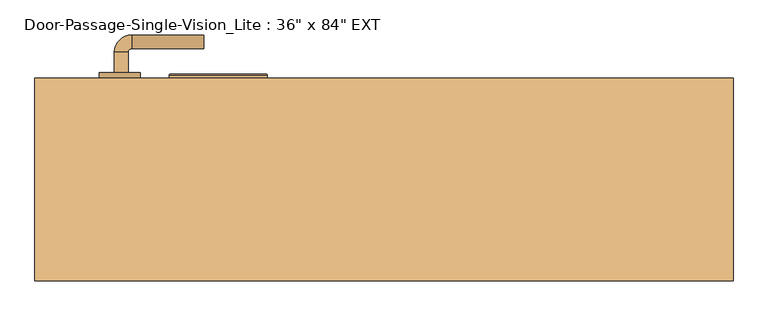
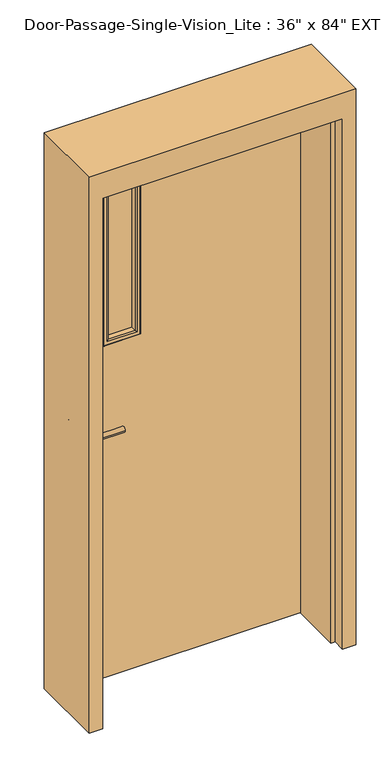
"""IFC4 building model written with IfcOpenShell, lengths in millimetres: door geometry."""

from ifc_helpers import new_model, si_unit, point, frame, frame_2d, origin, place, context, project, spatial, polyline, circle_curve, ellipse_curve, trimmed, segment, composite_curve, outline, extrude, faceted_brep, source, transform, mapped, element, save
from ifc_brep_helpers import plane_surface, cylinder_surface, revolved_surface, advanced_brep


def door_6aa45957(model_context):
    return source(origin(), model_context, "Body", "SolidModel", [
        advanced_brep(
        [(-392.190625, 96.775, 1016.0), (-372.190625, 96.775, 1016.0), (-372.190625, 66.775, 1016.0), (-392.190625, 66.775, 1016.0), (-367.190625, 61.775, 1016.0), (-367.190625, 41.775, 1016.0), (-262.190625, 41.775, 1016.0), (-262.190625, 61.775, 1016.0)],
        [
            (0, 1, circle_curve(frame((-382.190625, 96.775, 1016.0), z_axis=(0.0, 1.0, 0.0), x_axis=(1.0, 0.0, 0.0)), 10.0)),
            (1, 0, circle_curve(frame((-382.190625, 96.775, 1016.0), z_axis=(0.0, 1.0, 0.0), x_axis=(1.0, 0.0, 0.0)), 10.0)),
            (1, 2),
            (2, 3, circle_curve(frame((-382.190625, 66.775, 1016.0), z_axis=(0.0, 1.0, 0.0), x_axis=(1.0, 0.0, 0.0)), 10.0)),
            (3, 0),
            (3, 2, circle_curve(frame((-382.190625, 66.775, 1016.0), z_axis=(0.0, 1.0, 0.0), x_axis=(1.0, 0.0, 0.0)), 10.0)),
            (4, 5, circle_curve(frame((-367.190625, 51.775, 1016.0), z_axis=(-1.0, 0.0, 0.0), x_axis=(0.0, 1.0, 0.0)), 10.0)),
            (5, 3, circle_curve(frame((-367.190625, 66.775, 1016.0), z_axis=(0.0, 0.0, -1.0), x_axis=(-1.0, 0.0, 0.0)), 25.0)),
            (2, 4, circle_curve(frame((-367.190625, 66.775, 1016.0), z_axis=(0.0, 0.0, 1.0), x_axis=(-1.0, 0.0, 0.0)), 5.0)),
            (5, 4, circle_curve(frame((-367.190625, 51.775, 1016.0), z_axis=(-1.0, 0.0, 0.0), x_axis=(0.0, 1.0, 0.0)), 10.0)),
            (6, 7, circle_curve(frame((-262.190625, 51.775, 1016.0), z_axis=(1.0, 0.0, 0.0), x_axis=(0.0, 1.0, 0.0)), 10.0)),
            (7, 6, circle_curve(frame((-262.190625, 51.775, 1016.0), z_axis=(1.0, 0.0, 0.0), x_axis=(0.0, 1.0, 0.0)), 10.0)),
            (4, 7),
            (6, 5),
        ],
        [
            plane_surface(frame((-382.190625, 96.775, 1016.0), z_axis=(0.0, 1.0, 0.0), x_axis=(0.0, 0.0, 1.0))),
            cylinder_surface(frame((-382.190625, 96.775, 1016.0), z_axis=(0.0, 1.0, 0.0), x_axis=(1.0, 0.0, 0.0)), 10.0),
            revolved_surface(trimmed(ellipse_curve(frame((-382.190625, 66.775, 1016.0), z_axis=(0.0, -1.0, 0.0), x_axis=(1.0, 0.0, 0.0)), 10.0, 10.0), [point((-392.190625, 66.775, 1016.0))], [point((-372.190625, 66.775, 1016.0))], True, "CARTESIAN"), (-367.190625, 66.775, 1016.0), (0.0, 0.0, -1.0)),
            revolved_surface(trimmed(ellipse_curve(frame((-382.190625, 66.775, 1016.0), z_axis=(0.0, -1.0, 0.0), x_axis=(1.0, 0.0, 0.0)), 10.0, 10.0), [point((-372.190625, 66.775, 1016.0))], [point((-392.190625, 66.775, 1016.0))], True, "CARTESIAN"), (-367.190625, 66.775, 1016.0), (0.0, 0.0, -1.0)),
            plane_surface(frame((-262.190625, 51.775, 1016.0), z_axis=(1.0, 0.0, 0.0), x_axis=(0.0, 0.0, 1.0))),
            cylinder_surface(frame((-367.190625, 51.775, 1016.0), z_axis=(-1.0, 0.0, 0.0), x_axis=(0.0, 1.0, 0.0)), 10.0),
        ],
        [
            (0, [[1, 2]]),
            (1, [[3, 4, 5, -2]]),
            (1, [[-5, 6, -3, -1]]),
            (2, [[7, 8, -4, 9]]),
            (3, [[10, -9, -6, -8]]),
            (4, [[11, 12]]),
            (5, [[13, -11, 14, -7]]),
            (5, [[-14, -12, -13, -10]]),
        ],
    ),
        extrude(outline(composite_curve([segment(trimmed(circle_curve(frame_2d((1016.0, -384.690625)), 30.0), [point((1016.0, -414.690625))], [point((1016.0, -354.690625))], False, "CARTESIAN"), True, "CONTINUOUS"), segment(trimmed(circle_curve(frame_2d((1016.0, -384.690625)), 30.0), [point((1016.0, -354.690625))], [point((1016.0, -414.690625))], False, "CARTESIAN"), True, "CONTINUOUS")], self_intersect=False)), frame((0.0, 96.775, 0.0), z_axis=(0.0, 1.0, 0.0), x_axis=(0.0, 0.0, 1.0)), (0.0, 0.0, 1.0), 8.0),
        advanced_brep(
        [(-392.190625, 157.225, 1016.0), (-372.190625, 157.225, 1016.0), (-392.190625, 187.225, 1016.0), (-372.190625, 187.225, 1016.0), (-367.190625, 192.225, 1016.0), (-367.190625, 212.225, 1016.0), (-262.190625, 212.225, 1016.0), (-262.190625, 192.225, 1016.0)],
        [
            (0, 1, circle_curve(frame((-382.190625, 157.225, 1016.0), z_axis=(0.0, -1.0, 0.0), x_axis=(1.0, 0.0, 0.0)), 10.0)),
            (1, 0, circle_curve(frame((-382.190625, 157.225, 1016.0), z_axis=(0.0, -1.0, 0.0), x_axis=(1.0, 0.0, 0.0)), 10.0)),
            (0, 2),
            (2, 3, circle_curve(frame((-382.190625, 187.225, 1016.0), z_axis=(0.0, -1.0, 0.0), x_axis=(1.0, 0.0, 0.0)), 10.0)),
            (3, 1),
            (3, 2, circle_curve(frame((-382.190625, 187.225, 1016.0), z_axis=(0.0, -1.0, 0.0), x_axis=(1.0, 0.0, 0.0)), 10.0)),
            (4, 3, circle_curve(frame((-367.190625, 187.225, 1016.0), z_axis=(0.0, 0.0, 1.0), x_axis=(-1.0, 0.0, 0.0)), 5.0)),
            (2, 5, circle_curve(frame((-367.190625, 187.225, 1016.0), z_axis=(0.0, 0.0, -1.0), x_axis=(-1.0, 0.0, 0.0)), 25.0)),
            (5, 4, circle_curve(frame((-367.190625, 202.225, 1016.0), z_axis=(-1.0, 0.0, 0.0), x_axis=(0.0, -1.0, 0.0)), 10.0)),
            (4, 5, circle_curve(frame((-367.190625, 202.225, 1016.0), z_axis=(-1.0, 0.0, 0.0), x_axis=(0.0, -1.0, 0.0)), 10.0)),
            (6, 7, circle_curve(frame((-262.190625, 202.225, 1016.0), z_axis=(1.0, 0.0, 0.0), x_axis=(0.0, -1.0, 0.0)), 10.0)),
            (7, 6, circle_curve(frame((-262.190625, 202.225, 1016.0), z_axis=(1.0, 0.0, 0.0), x_axis=(0.0, -1.0, 0.0)), 10.0)),
            (5, 6),
            (7, 4),
        ],
        [
            plane_surface(frame((-382.190625, 157.225, 1016.0), z_axis=(0.0, -1.0, 0.0), x_axis=(0.0, 0.0, 1.0))),
            cylinder_surface(frame((-382.190625, 157.225, 1016.0), z_axis=(0.0, -1.0, 0.0), x_axis=(1.0, 0.0, 0.0)), 10.0),
            revolved_surface(trimmed(ellipse_curve(frame((-382.190625, 187.225, 1016.0), z_axis=(0.0, -1.0, 0.0), x_axis=(1.0, 0.0, 0.0)), 10.0, 10.0), [point((-392.190625, 187.225, 1016.0))], [point((-372.190625, 187.225, 1016.0))], True, "CARTESIAN"), (-367.190625, 187.225, 1016.0), (0.0, 0.0, -1.0)),
            revolved_surface(trimmed(ellipse_curve(frame((-382.190625, 187.225, 1016.0), z_axis=(0.0, -1.0, 0.0), x_axis=(1.0, 0.0, 0.0)), 10.0, 10.0), [point((-372.190625, 187.225, 1016.0))], [point((-392.190625, 187.225, 1016.0))], True, "CARTESIAN"), (-367.190625, 187.225, 1016.0), (0.0, 0.0, -1.0)),
            plane_surface(frame((-262.190625, 202.225, 1016.0), z_axis=(1.0, 0.0, 0.0), x_axis=(0.0, 0.0, 1.0))),
            cylinder_surface(frame((-367.190625, 202.225, 1016.0), z_axis=(-1.0, 0.0, 0.0), x_axis=(0.0, -1.0, 0.0)), 10.0),
        ],
        [
            (0, [[1, 2]]),
            (1, [[-1, 3, 4, 5]]),
            (1, [[-2, -5, 6, -3]]),
            (2, [[7, -4, 8, 9]]),
            (3, [[-8, -6, -7, 10]]),
            (4, [[11, 12]]),
            (5, [[-9, 13, -12, 14]]),
            (5, [[-10, -14, -11, -13]]),
        ],
    ),
        extrude(outline(composite_curve([segment(trimmed(circle_curve(frame_2d((1016.0, -384.690625)), 30.0), [point((1016.0, -414.690625))], [point((1016.0, -354.690625))], False, "CARTESIAN"), True, "CONTINUOUS"), segment(trimmed(circle_curve(frame_2d((1016.0, -384.690625)), 30.0), [point((1016.0, -354.690625))], [point((1016.0, -414.690625))], False, "CARTESIAN"), True, "CONTINUOUS")], self_intersect=False)), frame((0.0, 149.225, 0.0), z_axis=(0.0, 1.0, 0.0), x_axis=(0.0, 0.0, 1.0)), (0.0, 0.0, 1.0), 8.0),
        faceted_brep([(457.2, 100.0125, 0.0), (457.2, 149.225, 0.0), (508.0, 149.225, 0.0), (508.0, -146.05, 0.0), (457.2, -146.05, 0.0), (457.2, -96.8375, 0.0), (441.325, -96.8375, 0.0), (441.325, 100.0125, 0.0), (457.2, 100.0125, 2133.6), (457.2, 149.225, 2133.6), (-457.2, 149.225, 2133.6), (-457.2, 149.225, 0.0), (-508.0, 149.225, 0.0), (-508.0, 149.225, 2235.2), (508.0, 149.225, 2235.2), (508.0, -146.05, 2235.2), (-508.0, -146.05, 2235.2), (-508.0, -146.05, 0.0), (-457.2, -146.05, 0.0), (-457.2, -146.05, 2133.6), (457.2, -146.05, 2133.6), (457.2, -96.8375, 2133.6), (-457.2, -96.8375, 2133.6), (-457.2, -96.8375, 0.0), (-441.325, -96.8375, 0.0), (-441.325, -96.8375, 2117.725), (441.325, -96.8375, 2117.725), (441.325, 100.0125, 2117.725), (-441.325, 100.0125, 2117.725), (-441.325, 100.0125, 0.0), (-457.2, 100.0125, 0.0), (-457.2, 100.0125, 2133.6)], [[[0, 1, 2, 3, 4, 5, 6, 7]], [[1, 0, 8, 9]], [[2, 1, 9, 10, 11, 12, 13, 14]], [[3, 2, 14, 15]], [[4, 3, 15, 16, 17, 18, 19, 20]], [[5, 4, 20, 21]], [[6, 5, 21, 22, 23, 24, 25, 26]], [[7, 6, 26, 27]], [[0, 7, 27, 28, 29, 30, 31, 8]], [[9, 8, 31, 10]], [[20, 19, 22, 21]], [[26, 25, 28, 27]], [[12, 11, 30, 29, 24, 23, 18, 17]], [[11, 10, 31, 30]], [[13, 12, 17, 16]], [[19, 18, 23, 22]], [[25, 24, 29, 28]], [[15, 14, 13, 16]]]),
        extrude(outline(polyline([(2133.6, -457.2), (0.0, -457.2), (0.0, 457.2), (2133.6, 457.2), (2133.6, -457.2)]), holes=[polyline([(1981.2, -304.8), (1981.2, -177.8), (1346.2, -177.8), (1346.2, -304.8), (1981.2, -304.8)])]), frame((0.0, 104.775, 0.0), z_axis=(0.0, 1.0, 0.0), x_axis=(0.0, 0.0, 1.0)), (0.0, 0.0, 1.0), 44.45),
        extrude(outline(polyline([(-177.8, 123.825), (-304.8, 123.825), (-304.8, 130.175), (-177.8, 130.175), (-177.8, 123.825)])), frame((0.0, 0.0, 1346.2), z_axis=(0.0, 0.0, 1.0), x_axis=(1.0, 0.0, 0.0)), (0.0, 0.0, 1.0), 635.0),
        advanced_brep(
        [(-304.8, 123.825, 1346.2), (-304.8, 104.775, 1346.2), (-304.8, 104.775, 1981.2), (-304.8, 123.825, 1981.2), (-292.8, 103.775, 1358.2), (-292.8, 123.825, 1358.2), (-292.8, 123.825, 1969.2), (-292.8, 103.775, 1969.2), (-297.8, 98.775, 1353.2), (-297.8, 98.775, 1974.2), (-312.8, 100.775, 1338.2), (-310.8, 98.775, 1340.2), (-310.8, 98.775, 1987.2), (-312.8, 100.775, 1989.2), (-312.8, 104.775, 1338.2), (-312.8, 104.775, 1989.2), (-177.8, 104.775, 1981.2), (-177.8, 123.825, 1981.2), (-189.8, 123.825, 1969.2), (-189.8, 103.775, 1969.2), (-184.8, 98.775, 1974.2), (-171.8, 98.775, 1987.2), (-169.8, 100.775, 1989.2), (-169.8, 104.775, 1989.2), (-177.8, 104.775, 1346.2), (-177.8, 123.825, 1346.2), (-189.8, 123.825, 1358.2), (-189.8, 103.775, 1358.2), (-184.8, 98.775, 1353.2), (-171.8, 98.775, 1340.2), (-169.8, 100.775, 1338.2), (-169.8, 104.775, 1338.2)],
        [
            (0, 1),
            (1, 2),
            (2, 3),
            (3, 0),
            (4, 5),
            (5, 6),
            (6, 7),
            (7, 4),
            (8, 4, ellipse_curve(frame((-297.8, 103.775, 1353.2), z_axis=(-0.7071067811865475, 0.0, 0.7071067811865475), x_axis=(-0.7071067811865474, 0.0, -0.7071067811865476)), 7.0710678, 5.0)),
            (7, 9, ellipse_curve(frame((-297.8, 103.775, 1974.2), z_axis=(-0.7071067811865475, 0.0, -0.7071067811865475), x_axis=(0.7071067811865474, 0.0, -0.7071067811865476)), 7.0710678, 5.0)),
            (9, 8),
            (10, 11, ellipse_curve(frame((-310.8, 100.775, 1340.2), z_axis=(-0.7071067811865475, 0.0, 0.7071067811865475), x_axis=(-0.7071067811865474, 0.0, -0.7071067811865476)), 2.8284271, 2.0)),
            (11, 12),
            (12, 13, ellipse_curve(frame((-310.8, 100.775, 1987.2), z_axis=(-0.7071067811865475, 0.0, -0.7071067811865475), x_axis=(0.7071067811865474, 0.0, -0.7071067811865476)), 2.8284271, 2.0)),
            (13, 10),
            (14, 10),
            (13, 15),
            (15, 14),
            (2, 16),
            (16, 17),
            (17, 3),
            (6, 18),
            (18, 19),
            (19, 7),
            (19, 20, ellipse_curve(frame((-184.8, 103.775, 1974.2), z_axis=(-0.7071067811865475, 0.0, 0.7071067811865475), x_axis=(-0.7071067811865476, 0.0, -0.7071067811865474)), 7.0710678, 5.0)),
            (20, 9),
            (12, 21),
            (21, 22, ellipse_curve(frame((-171.8, 100.775, 1987.2), z_axis=(-0.7071067811865475, 0.0, 0.7071067811865475), x_axis=(-0.7071067811865476, 0.0, -0.7071067811865474)), 2.8284271, 2.0)),
            (22, 13),
            (22, 23),
            (23, 15),
            (16, 24),
            (24, 25),
            (25, 17),
            (18, 26),
            (26, 27),
            (27, 19),
            (27, 28, ellipse_curve(frame((-184.8, 103.775, 1353.2), z_axis=(0.7071067811865475, 0.0, 0.7071067811865475), x_axis=(-0.7071067811865474, 0.0, 0.7071067811865476)), 7.0710678, 5.0)),
            (28, 20),
            (21, 29),
            (29, 30, ellipse_curve(frame((-171.8, 100.775, 1340.2), z_axis=(0.7071067811865475, 0.0, 0.7071067811865475), x_axis=(-0.7071067811865474, 0.0, 0.7071067811865476)), 2.8284271, 2.0)),
            (30, 22),
            (30, 31),
            (31, 23),
            (31, 14),
            (1, 24),
            (0, 25),
            (5, 26),
            (4, 27),
            (8, 28),
            (11, 29),
            (10, 30),
        ],
        [
            plane_surface(frame((-304.8, 104.775, 1346.2), z_axis=(-1.0, 0.0, 0.0), x_axis=(0.0, 0.0, 1.0))),
            plane_surface(frame((-292.8, 123.825, 1358.2), z_axis=(1.0, 0.0, 0.0), x_axis=(0.0, 0.0, 1.0))),
            cylinder_surface(frame((-297.8, 103.775, 1346.2), z_axis=(0.0, 0.0, -1.0), x_axis=(-1.0, 0.0, 0.0)), 5.0),
            cylinder_surface(frame((-310.8, 100.775, 1346.2), z_axis=(0.0, 0.0, -1.0), x_axis=(-1.0, 0.0, 0.0)), 2.0),
            plane_surface(frame((-312.8, 100.775, 1338.2), z_axis=(-1.0, 0.0, 0.0), x_axis=(0.0, 0.0, 1.0))),
            plane_surface(frame((-304.8, 104.775, 1981.2), z_axis=(0.0, 0.0, 1.0), x_axis=(1.0, 0.0, 0.0))),
            plane_surface(frame((-292.8, 123.825, 1969.2), z_axis=(0.0, 0.0, -1.0), x_axis=(1.0, 0.0, 0.0))),
            cylinder_surface(frame((-304.8, 103.775, 1974.2), z_axis=(-1.0, 0.0, 0.0), x_axis=(0.0, 0.0, 1.0)), 5.0),
            cylinder_surface(frame((-304.8, 100.775, 1987.2), z_axis=(-1.0, 0.0, 0.0), x_axis=(0.0, 0.0, 1.0)), 2.0),
            plane_surface(frame((-312.8, 100.775, 1989.2), z_axis=(0.0, 0.0, 1.0), x_axis=(1.0, 0.0, 0.0))),
            plane_surface(frame((-177.8, 104.775, 1981.2), z_axis=(1.0, 0.0, 0.0), x_axis=(0.0, 0.0, -1.0))),
            plane_surface(frame((-189.8, 123.825, 1969.2), z_axis=(-1.0, 0.0, 0.0), x_axis=(0.0, 0.0, -1.0))),
            cylinder_surface(frame((-184.8, 103.775, 1981.2), z_axis=(0.0, 0.0, 1.0), x_axis=(1.0, 0.0, 0.0)), 5.0),
            cylinder_surface(frame((-171.8, 100.775, 1981.2), z_axis=(0.0, 0.0, 1.0), x_axis=(1.0, 0.0, 0.0)), 2.0),
            plane_surface(frame((-169.8, 100.775, 1989.2), z_axis=(1.0, 0.0, 0.0), x_axis=(0.0, 0.0, -1.0))),
            plane_surface(frame((-169.8, 104.775, 1338.2), z_axis=(0.0, 1.0, 0.0), x_axis=(-1.0, 0.0, 0.0))),
            plane_surface(frame((-177.8, 104.775, 1346.2), z_axis=(0.0, 0.0, -1.0), x_axis=(-1.0, 0.0, 0.0))),
            plane_surface(frame((-177.8, 123.825, 1346.2), z_axis=(0.0, 1.0, 0.0), x_axis=(-1.0, 0.0, 0.0))),
            plane_surface(frame((-189.8, 123.825, 1358.2), z_axis=(0.0, 0.0, 1.0), x_axis=(-1.0, 0.0, 0.0))),
            cylinder_surface(frame((-177.8, 103.775, 1353.2), z_axis=(1.0, 0.0, 0.0), x_axis=(0.0, 0.0, -1.0)), 5.0),
            plane_surface(frame((-184.8, 98.775, 1353.2), z_axis=(0.0, -1.0, 0.0), x_axis=(-1.0, 0.0, 0.0))),
            cylinder_surface(frame((-177.8, 100.775, 1340.2), z_axis=(1.0, 0.0, 0.0), x_axis=(0.0, 0.0, -1.0)), 2.0),
            plane_surface(frame((-169.8, 100.775, 1338.2), z_axis=(0.0, 0.0, -1.0), x_axis=(-1.0, 0.0, 0.0))),
        ],
        [
            (0, [[1, 2, 3, 4]]),
            (1, [[5, 6, 7, 8]]),
            (2, [[9, -8, 10, 11]]),
            (3, [[12, 13, 14, 15]]),
            (4, [[16, -15, 17, 18]]),
            (5, [[-3, 19, 20, 21]]),
            (6, [[-7, 22, 23, 24]]),
            (7, [[-10, -24, 25, 26]]),
            (8, [[-14, 27, 28, 29]]),
            (9, [[-17, -29, 30, 31]]),
            (10, [[-20, 32, 33, 34]]),
            (11, [[-23, 35, 36, 37]]),
            (12, [[-25, -37, 38, 39]]),
            (13, [[-28, 40, 41, 42]]),
            (14, [[-30, -42, 43, 44]]),
            (15, [[-31, -44, 45, -18], [46, -32, -19, -2]]),
            (16, [[-33, -46, -1, 47]]),
            (17, [[-21, -34, -47, -4], [48, -35, -22, -6]]),
            (18, [[-36, -48, -5, 49]]),
            (19, [[-38, -49, -9, 50]]),
            (20, [[51, -40, -27, -13], [-26, -39, -50, -11]]),
            (21, [[-41, -51, -12, 52]]),
            (22, [[-43, -52, -16, -45]]),
        ],
    ),
        advanced_brep(
        [(-304.8, 130.175, 1981.2), (-304.8, 149.225, 1981.2), (-304.8, 149.225, 1346.2), (-304.8, 130.175, 1346.2), (-292.8, 150.225, 1969.2), (-292.8, 130.175, 1969.2), (-292.8, 130.175, 1358.2), (-292.8, 150.225, 1358.2), (-297.8, 155.225, 1974.2), (-297.8, 155.225, 1353.2), (-312.8, 153.225, 1989.2), (-310.8, 155.225, 1987.2), (-310.8, 155.225, 1340.2), (-312.8, 153.225, 1338.2), (-312.8, 149.225, 1989.2), (-312.8, 149.225, 1338.2), (-177.8, 149.225, 1346.2), (-177.8, 130.175, 1346.2), (-189.8, 130.175, 1358.2), (-189.8, 150.225, 1358.2), (-184.8, 155.225, 1353.2), (-171.8, 155.225, 1340.2), (-169.8, 153.225, 1338.2), (-169.8, 149.225, 1338.2), (-177.8, 149.225, 1981.2), (-177.8, 130.175, 1981.2), (-189.8, 130.175, 1969.2), (-189.8, 150.225, 1969.2), (-184.8, 155.225, 1974.2), (-171.8, 155.225, 1987.2), (-169.8, 153.225, 1989.2), (-169.8, 149.225, 1989.2)],
        [
            (0, 1),
            (1, 2),
            (2, 3),
            (3, 0),
            (4, 5),
            (5, 6),
            (6, 7),
            (7, 4),
            (8, 4, ellipse_curve(frame((-297.8, 150.225, 1974.2), z_axis=(-0.7071067811865475, 0.0, -0.7071067811865475), x_axis=(-0.7071067811865474, 0.0, 0.7071067811865476)), 7.0710678, 5.0)),
            (7, 9, ellipse_curve(frame((-297.8, 150.225, 1353.2), z_axis=(-0.7071067811865475, 0.0, 0.7071067811865475), x_axis=(0.7071067811865474, 0.0, 0.7071067811865476)), 7.0710678, 5.0)),
            (9, 8),
            (10, 11, ellipse_curve(frame((-310.8, 153.225, 1987.2), z_axis=(-0.7071067811865475, 0.0, -0.7071067811865475), x_axis=(-0.7071067811865474, 0.0, 0.7071067811865476)), 2.8284271, 2.0)),
            (11, 12),
            (12, 13, ellipse_curve(frame((-310.8, 153.225, 1340.2), z_axis=(-0.7071067811865475, 0.0, 0.7071067811865475), x_axis=(0.7071067811865474, 0.0, 0.7071067811865476)), 2.8284271, 2.0)),
            (13, 10),
            (14, 10),
            (13, 15),
            (15, 14),
            (2, 16),
            (16, 17),
            (17, 3),
            (6, 18),
            (18, 19),
            (19, 7),
            (19, 20, ellipse_curve(frame((-184.8, 150.225, 1353.2), z_axis=(-0.7071067811865475, 0.0, -0.7071067811865475), x_axis=(-0.7071067811865476, 0.0, 0.7071067811865474)), 7.0710678, 5.0)),
            (20, 9),
            (12, 21),
            (21, 22, ellipse_curve(frame((-171.8, 153.225, 1340.2), z_axis=(-0.7071067811865475, 0.0, -0.7071067811865475), x_axis=(-0.7071067811865476, 0.0, 0.7071067811865474)), 2.8284271, 2.0)),
            (22, 13),
            (22, 23),
            (23, 15),
            (16, 24),
            (24, 25),
            (25, 17),
            (18, 26),
            (26, 27),
            (27, 19),
            (27, 28, ellipse_curve(frame((-184.8, 150.225, 1974.2), z_axis=(0.7071067811865475, 0.0, -0.7071067811865475), x_axis=(-0.7071067811865474, 0.0, -0.7071067811865476)), 7.0710678, 5.0)),
            (28, 20),
            (21, 29),
            (29, 30, ellipse_curve(frame((-171.8, 153.225, 1987.2), z_axis=(0.7071067811865475, 0.0, -0.7071067811865475), x_axis=(-0.7071067811865474, 0.0, -0.7071067811865476)), 2.8284271, 2.0)),
            (30, 22),
            (30, 31),
            (31, 23),
            (31, 14),
            (1, 24),
            (0, 25),
            (5, 26),
            (4, 27),
            (8, 28),
            (11, 29),
            (10, 30),
        ],
        [
            plane_surface(frame((-304.8, 149.225, 1981.2), z_axis=(-1.0, 0.0, 0.0), x_axis=(0.0, 0.0, -1.0))),
            plane_surface(frame((-292.8, 130.175, 1969.2), z_axis=(1.0, 0.0, 0.0), x_axis=(0.0, 0.0, -1.0))),
            cylinder_surface(frame((-297.8, 150.225, 1981.2), z_axis=(0.0, 0.0, 1.0), x_axis=(-1.0, 0.0, 0.0)), 5.0),
            cylinder_surface(frame((-310.8, 153.225, 1981.2), z_axis=(0.0, 0.0, 1.0), x_axis=(-1.0, 0.0, 0.0)), 2.0),
            plane_surface(frame((-312.8, 153.225, 1989.2), z_axis=(-1.0, 0.0, 0.0), x_axis=(0.0, 0.0, -1.0))),
            plane_surface(frame((-304.8, 149.225, 1346.2), z_axis=(0.0, 0.0, -1.0), x_axis=(1.0, 0.0, 0.0))),
            plane_surface(frame((-292.8, 130.175, 1358.2), z_axis=(0.0, 0.0, 1.0), x_axis=(1.0, 0.0, 0.0))),
            cylinder_surface(frame((-304.8, 150.225, 1353.2), z_axis=(-1.0, 0.0, 0.0), x_axis=(0.0, 0.0, -1.0)), 5.0),
            cylinder_surface(frame((-304.8, 153.225, 1340.2), z_axis=(-1.0, 0.0, 0.0), x_axis=(0.0, 0.0, -1.0)), 2.0),
            plane_surface(frame((-312.8, 153.225, 1338.2), z_axis=(0.0, 0.0, -1.0), x_axis=(1.0, 0.0, 0.0))),
            plane_surface(frame((-177.8, 149.225, 1346.2), z_axis=(1.0, 0.0, 0.0), x_axis=(0.0, 0.0, 1.0))),
            plane_surface(frame((-189.8, 130.175, 1358.2), z_axis=(-1.0, 0.0, 0.0), x_axis=(0.0, 0.0, 1.0))),
            cylinder_surface(frame((-184.8, 150.225, 1346.2), z_axis=(0.0, 0.0, -1.0), x_axis=(1.0, 0.0, 0.0)), 5.0),
            cylinder_surface(frame((-171.8, 153.225, 1346.2), z_axis=(0.0, 0.0, -1.0), x_axis=(1.0, 0.0, 0.0)), 2.0),
            plane_surface(frame((-169.8, 153.225, 1338.2), z_axis=(1.0, 0.0, 0.0), x_axis=(0.0, 0.0, 1.0))),
            plane_surface(frame((-169.8, 149.225, 1989.2), z_axis=(0.0, -1.0, 0.0), x_axis=(-1.0, 0.0, 0.0))),
            plane_surface(frame((-177.8, 149.225, 1981.2), z_axis=(0.0, 0.0, 1.0), x_axis=(-1.0, 0.0, 0.0))),
            plane_surface(frame((-177.8, 130.175, 1981.2), z_axis=(0.0, -1.0, 0.0), x_axis=(-1.0, 0.0, 0.0))),
            plane_surface(frame((-189.8, 130.175, 1969.2), z_axis=(0.0, 0.0, -1.0), x_axis=(-1.0, 0.0, 0.0))),
            cylinder_surface(frame((-177.8, 150.225, 1974.2), z_axis=(1.0, 0.0, 0.0), x_axis=(0.0, 0.0, 1.0)), 5.0),
            plane_surface(frame((-184.8, 155.225, 1974.2), z_axis=(0.0, 1.0, 0.0), x_axis=(-1.0, 0.0, 0.0))),
            cylinder_surface(frame((-177.8, 153.225, 1987.2), z_axis=(1.0, 0.0, 0.0), x_axis=(0.0, 0.0, 1.0)), 2.0),
            plane_surface(frame((-169.8, 153.225, 1989.2), z_axis=(0.0, 0.0, 1.0), x_axis=(-1.0, 0.0, 0.0))),
        ],
        [
            (0, [[1, 2, 3, 4]]),
            (1, [[5, 6, 7, 8]]),
            (2, [[9, -8, 10, 11]]),
            (3, [[12, 13, 14, 15]]),
            (4, [[16, -15, 17, 18]]),
            (5, [[-3, 19, 20, 21]]),
            (6, [[-7, 22, 23, 24]]),
            (7, [[-10, -24, 25, 26]]),
            (8, [[-14, 27, 28, 29]]),
            (9, [[-17, -29, 30, 31]]),
            (10, [[-20, 32, 33, 34]]),
            (11, [[-23, 35, 36, 37]]),
            (12, [[-25, -37, 38, 39]]),
            (13, [[-28, 40, 41, 42]]),
            (14, [[-30, -42, 43, 44]]),
            (15, [[-31, -44, 45, -18], [46, -32, -19, -2]]),
            (16, [[-33, -46, -1, 47]]),
            (17, [[-21, -34, -47, -4], [48, -35, -22, -6]]),
            (18, [[-36, -48, -5, 49]]),
            (19, [[-38, -49, -9, 50]]),
            (20, [[51, -40, -27, -13], [-26, -39, -50, -11]]),
            (21, [[-41, -51, -12, 52]]),
            (22, [[-43, -52, -16, -45]]),
        ],
    ),
    ])


if __name__ == "__main__":
    model = new_model("IFC4")
    model_context = context("Model", 3, world=origin())
    ifc_project = project(units=[si_unit("LENGTHUNIT", "METRE", prefix="MILLI")], contexts=[model_context])
    site = spatial("IfcSite", under=ifc_project)
    building = spatial("IfcBuilding", under=site)
    placement = place(None, origin())
    door_shape = door_6aa45957(model_context)
    element("IfcDoor", 1, ObjectType="Door-Passage-Single-Vision_Lite : 36\" x 84\" EXT", at=placement, inside=building, context=model_context, shape_type="MappedRepresentation", body=[
        mapped(door_shape, transform((0.0, 0.0, 0.0), x_axis=(1.0, 0.0, 0.0), y_axis=(0.0, 1.0, 0.0), z_axis=(0.0, 0.0, 1.0))),
    ])
    save(model, "model.ifc")
